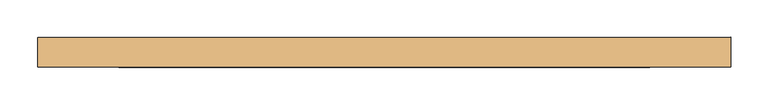
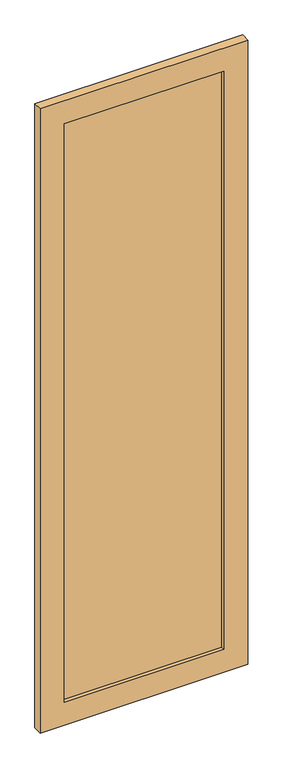
"""IFC4 building model written with IfcOpenShell, lengths in millimetres: door geometry."""

from ifc_helpers import new_model, si_unit, frame, origin, place, context, project, spatial, polyline, outline, extrude, source, transform, mapped, element, save


def door_212132c7(model_context):
    return source(origin(), model_context, "Body", "SweptSolid", [
        extrude(outline(polyline([(2945.0, 462.0), (2945.0, -462.0), (10.0, -462.0), (10.0, 462.0), (2945.0, 462.0)]), holes=[polyline([(2837.0, 354.0), (118.0, 354.0), (118.0, -354.0), (2837.0, -354.0), (2837.0, 354.0)])]), frame((0.0, -20.0, 0.0), z_axis=(0.0, 1.0, 0.0), x_axis=(0.0, 0.0, 1.0)), (0.0, 0.0, 1.0), 40.0),
        extrude(outline(polyline([(354.0, -4.0), (-354.0, -4.0), (-354.0, 4.0), (354.0, 4.0), (354.0, -4.0)])), frame((0.0, 0.0, 118.0), z_axis=(0.0, 0.0, 1.0), x_axis=(1.0, 0.0, 0.0)), (0.0, 0.0, 1.0), 2719.0),
    ])


if __name__ == "__main__":
    model = new_model("IFC4")
    model_context = context("Model", 3, world=origin())
    ifc_project = project(units=[si_unit("LENGTHUNIT", "METRE", prefix="MILLI")], contexts=[model_context])
    site = spatial("IfcSite", under=ifc_project)
    building = spatial("IfcBuilding", under=site)
    placement = place(None, origin())
    door_shape = door_212132c7(model_context)
    element("IfcDoor", 1, at=placement, inside=building, context=model_context, shape_type="MappedRepresentation", body=[
        mapped(door_shape, transform((0.0, 0.0, 0.0), x_axis=(1.0, 0.0, 0.0), y_axis=(0.0, 1.0, 0.0), z_axis=(0.0, 0.0, 1.0))),
    ])
    save(model, "model.ifc")
